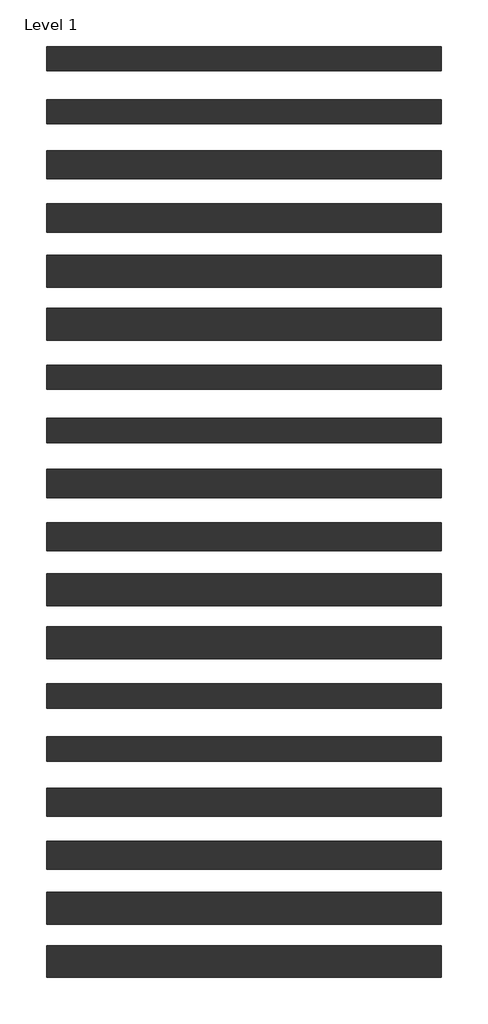
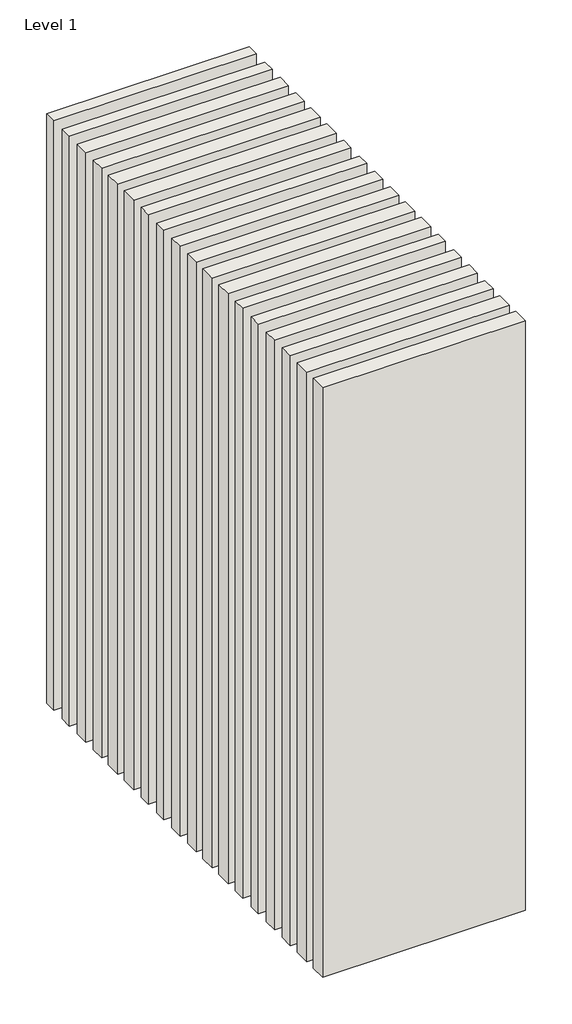
# One storey: 18 walls.
"""IFC4 building model written with IfcOpenShell, lengths in millimetres."""

from ifc_helpers import new_model, si_unit, origin, origin_with_axes, place, context, project, spatial, polyline, outline, extrude, element, save

model = new_model("IFC4")

# Units and contexts
model_context = context("Model", 3, world=origin())
ifc_project = project(units=[si_unit("LENGTHUNIT", "METRE", prefix="MILLI")], contexts=[model_context])

# Site, building, storey
site = spatial("IfcSite", under=ifc_project)
building = spatial("IfcBuilding", under=site)
storey = spatial("IfcBuildingStorey", under=building, Name="Level 1", Elevation=0.0)

# Walls
placement = place(None, origin())
element("IfcWall", 1, at=placement, inside=storey, context=model_context, shape_type="SweptSolid", body=[
    extrude(outline(polyline([(-16904.1464237, 2593.9042935), (-19504.1464237, 2593.9042935), (-19504.1464237, 2778.9042935), (-16904.1464237, 2778.9042935), (-16904.1464237, 2593.9042935)])), origin_with_axes(), (0.0, 0.0, 1.0), 8000.0),
])
element("IfcWall", 2, at=placement, inside=storey, context=model_context, shape_type="SweptSolid", body=[
    extrude(outline(polyline([(-16904.1464237, 2231.4042935), (-19504.1464237, 2231.4042935), (-19504.1464237, 2441.4042935), (-16904.1464237, 2441.4042935), (-16904.1464237, 2231.4042935)])), origin_with_axes(), (0.0, 0.0, 1.0), 8000.0),
])
element("IfcWall", 3, at=placement, inside=storey, context=model_context, shape_type="SweptSolid", body=[
    extrude(outline(polyline([(-16904.1464237, 1881.4042935), (-19504.1464237, 1881.4042935), (-19504.1464237, 2091.4042935), (-16904.1464237, 2091.4042935), (-16904.1464237, 1881.4042935)])), origin_with_axes(), (0.0, 0.0, 1.0), 8000.0),
])
element("IfcWall", 4, at=placement, inside=storey, context=model_context, shape_type="SweptSolid", body=[
    extrude(outline(polyline([(-16904.1464237, 3656.4042935), (-19504.1464237, 3656.4042935), (-19504.1464237, 3816.4042935), (-16904.1464237, 3816.4042935), (-16904.1464237, 3656.4042935)])), origin_with_axes(), (0.0, 0.0, 1.0), 8000.0),
])
element("IfcWall", 5, at=placement, inside=storey, context=model_context, shape_type="SweptSolid", body=[
    extrude(outline(polyline([(-16904.1464237, 3306.4042935), (-19504.1464237, 3306.4042935), (-19504.1464237, 3466.4042935), (-16904.1464237, 3466.4042935), (-16904.1464237, 3306.4042935)])), origin_with_axes(), (0.0, 0.0, 1.0), 8000.0),
])
element("IfcWall", 6, at=placement, inside=storey, context=model_context, shape_type="SweptSolid", body=[
    extrude(outline(polyline([(-16904.1464237, 2943.9042935), (-19504.1464237, 2943.9042935), (-19504.1464237, 3128.9042935), (-16904.1464237, 3128.9042935), (-16904.1464237, 2943.9042935)])), origin_with_axes(), (0.0, 0.0, 1.0), 8000.0),
])
element("IfcWall", 7, at=placement, inside=storey, context=model_context, shape_type="SweptSolid", body=[
    extrude(outline(polyline([(-16904.1464237, 1556.4042935), (-19504.1464237, 1556.4042935), (-19504.1464237, 1716.4042935), (-16904.1464237, 1716.4042935), (-16904.1464237, 1556.4042935)])), origin_with_axes(), (0.0, 0.0, 1.0), 8000.0),
])
element("IfcWall", 8, at=placement, inside=storey, context=model_context, shape_type="SweptSolid", body=[
    extrude(outline(polyline([(-16904.1464237, 1206.4042935), (-19504.1464237, 1206.4042935), (-19504.1464237, 1366.4042935), (-16904.1464237, 1366.4042935), (-16904.1464237, 1206.4042935)])), origin_with_axes(), (0.0, 0.0, 1.0), 8000.0),
])
element("IfcWall", 9, at=placement, inside=storey, context=model_context, shape_type="SweptSolid", body=[
    extrude(outline(polyline([(-16904.1464237, 843.9042935), (-19504.1464237, 843.9042935), (-19504.1464237, 1028.9042935), (-16904.1464237, 1028.9042935), (-16904.1464237, 843.9042935)])), origin_with_axes(), (0.0, 0.0, 1.0), 8000.0),
])
element("IfcWall", 10, at=placement, inside=storey, context=model_context, shape_type="SweptSolid", body=[
    extrude(outline(polyline([(-16904.1464237, 493.9042935), (-19504.1464237, 493.9042935), (-19504.1464237, 678.9042935), (-16904.1464237, 678.9042935), (-16904.1464237, 493.9042935)])), origin_with_axes(), (0.0, 0.0, 1.0), 8000.0),
])
element("IfcWall", 11, at=placement, inside=storey, context=model_context, shape_type="SweptSolid", body=[
    extrude(outline(polyline([(-16904.1464237, 131.4042935), (-19504.1464237, 131.4042935), (-19504.1464237, 341.4042935), (-16904.1464237, 341.4042935), (-16904.1464237, 131.4042935)])), origin_with_axes(), (0.0, 0.0, 1.0), 8000.0),
])
element("IfcWall", 12, at=placement, inside=storey, context=model_context, shape_type="SweptSolid", body=[
    extrude(outline(polyline([(-16904.1464237, -218.5957065), (-19504.1464237, -218.5957065), (-19504.1464237, -8.5957065), (-16904.1464237, -8.5957065), (-16904.1464237, -218.5957065)])), origin_with_axes(), (0.0, 0.0, 1.0), 8000.0),
])
element("IfcWall", 13, at=placement, inside=storey, context=model_context, shape_type="SweptSolid", body=[
    extrude(outline(polyline([(-16904.1464237, -543.5957065), (-19504.1464237, -543.5957065), (-19504.1464237, -383.5957065), (-16904.1464237, -383.5957065), (-16904.1464237, -543.5957065)])), origin_with_axes(), (0.0, 0.0, 1.0), 8000.0),
])
element("IfcWall", 14, at=placement, inside=storey, context=model_context, shape_type="SweptSolid", body=[
    extrude(outline(polyline([(-16904.1464237, -893.5957065), (-19504.1464237, -893.5957065), (-19504.1464237, -733.5957065), (-16904.1464237, -733.5957065), (-16904.1464237, -893.5957065)])), origin_with_axes(), (0.0, 0.0, 1.0), 8000.0),
])
element("IfcWall", 15, at=placement, inside=storey, context=model_context, shape_type="SweptSolid", body=[
    extrude(outline(polyline([(-16904.1464237, -1256.0957065), (-19504.1464237, -1256.0957065), (-19504.1464237, -1071.0957065), (-16904.1464237, -1071.0957065), (-16904.1464237, -1256.0957065)])), origin_with_axes(), (0.0, 0.0, 1.0), 8000.0),
])
element("IfcWall", 16, at=placement, inside=storey, context=model_context, shape_type="SweptSolid", body=[
    extrude(outline(polyline([(-16904.1464237, -1606.0957065), (-19504.1464237, -1606.0957065), (-19504.1464237, -1421.0957065), (-16904.1464237, -1421.0957065), (-16904.1464237, -1606.0957065)])), origin_with_axes(), (0.0, 0.0, 1.0), 8000.0),
])
element("IfcWall", 17, at=placement, inside=storey, context=model_context, shape_type="SweptSolid", body=[
    extrude(outline(polyline([(-16904.1464237, -1968.5957065), (-19504.1464237, -1968.5957065), (-19504.1464237, -1758.5957065), (-16904.1464237, -1758.5957065), (-16904.1464237, -1968.5957065)])), origin_with_axes(), (0.0, 0.0, 1.0), 8000.0),
])
element("IfcWall", 18, at=placement, inside=storey, context=model_context, shape_type="SweptSolid", body=[
    extrude(outline(polyline([(-16904.1464237, -2318.5957065), (-19504.1464237, -2318.5957065), (-19504.1464237, -2108.5957065), (-16904.1464237, -2108.5957065), (-16904.1464237, -2318.5957065)])), origin_with_axes(), (0.0, 0.0, 1.0), 8000.0),
])

save(model, "model.ifc")
